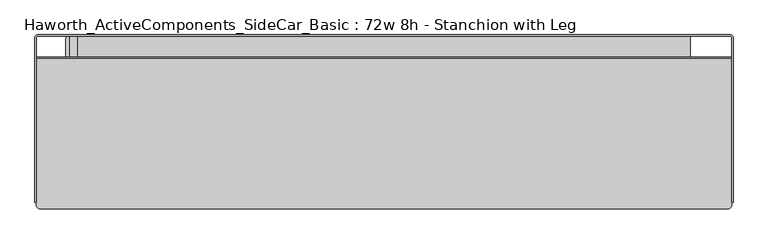
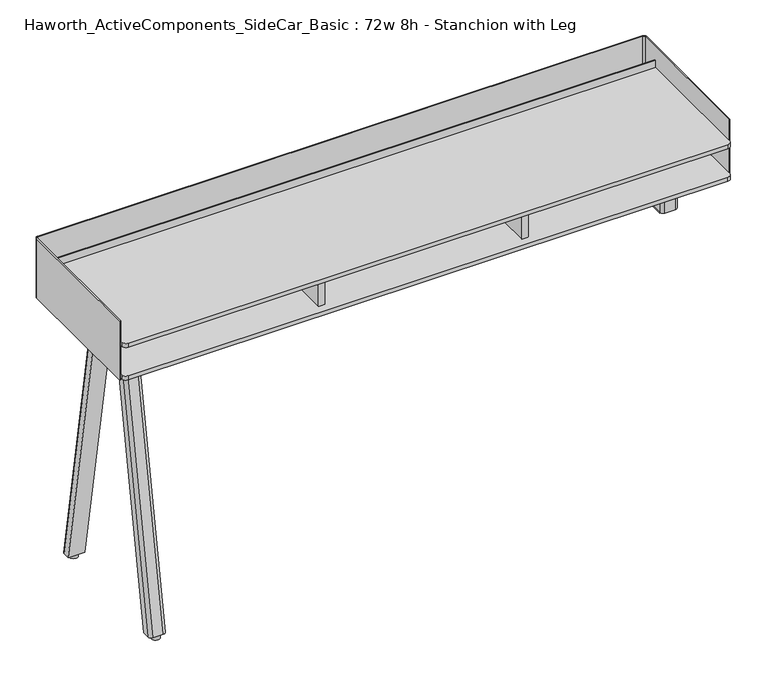
"""IFC4 building model written with IfcOpenShell, lengths in millimetres: furniture geometry, Haworth_ActiveComponents_SideCar_Basic : 72w 8h - Stanchion with Leg."""

import ifcopenshell
import ifcopenshell.guid

model = None  # the IFC model being written
_history = None  # IfcOwnerHistory: only IFC2X3 demands one
_inside = {}  # id of a spatial element -> (the spatial element, [elements in it])
_under = {}  # id of a project, library or spatial element -> (it, [spatial elements below it])
_declared = {}  # id of a project -> (the project, [libraries it declares])
_typed = {}  # id of a type object -> (the type object, [elements of that type])
_made_of = {}  # id of a material, layer set ... -> (it, [elements and type objects made of it])


def new_model(schema):
    """Start an empty IFC model of exactly this schema.

    Asked for "IFC4X3", IfcOpenShell would pick the latest addendum, in which some entities
    have other attributes; the version numbers below select the first issue.
    IFC2X3 requires an IfcOwnerHistory on every rooted entity: one is made here for all.
    """
    global model, _history
    if schema == "IFC4X3":
        model = ifcopenshell.file(schema_version=(4, 3, 0, 0))
    else:
        model = ifcopenshell.file(schema=schema)
    _inside.clear()
    _under.clear()
    _declared.clear()
    _typed.clear()
    _made_of.clear()
    _history = None
    if model.schema == "IFC2X3":
        org = make("IfcOrganization", Name="unknown")
        user = make(
            "IfcPersonAndOrganization",
            ThePerson=make("IfcPerson", FamilyName="unknown"),
            TheOrganization=org,
        )
        app = make(
            "IfcApplication",
            ApplicationDeveloper=org,
            Version="unknown",
            ApplicationFullName="unknown",
            ApplicationIdentifier="unknown",
        )
        _history = make(
            "IfcOwnerHistory",
            OwningUser=user,
            OwningApplication=app,
            ChangeAction="ADDED",
            CreationDate=0,
        )
    return model


def make(cls, **values):
    """One entity of the class cls with the attributes given. An attribute that is None is left unset."""
    return model.create_entity(
        cls, **{name: value for name, value in values.items() if value is not None}
    )


def rooted(cls, **values):
    """An entity with a GlobalId (a new one), such as an element, a storey or a relation."""
    return make(cls, GlobalId=ifcopenshell.guid.new(), OwnerHistory=_history, **values)


def si_unit(unit_type, name, prefix=None):
    """IfcSIUnit, for example si_unit("LENGTHUNIT", "METRE", prefix="MILLI")."""
    return make("IfcSIUnit", UnitType=unit_type, Prefix=prefix, Name=name)


def assignment(units):
    """IfcUnitAssignment: the units of a project."""
    return None if units is None else make("IfcUnitAssignment", Units=units)


def point(xyz):
    """IfcCartesianPoint."""
    return None if xyz is None else make("IfcCartesianPoint", Coordinates=xyz)


def direction(xyz):
    """IfcDirection."""
    return None if xyz is None else make("IfcDirection", DirectionRatios=xyz)


def frame(location, z_axis=None, x_axis=None):
    """IfcAxis2Placement3D, a coordinate frame: its origin and axes. An axis left out is left unset."""
    return make(
        "IfcAxis2Placement3D",
        Location=point(location),
        Axis=direction(z_axis),
        RefDirection=direction(x_axis),
    )


def frame_2d(location, x_axis=None):
    """IfcAxis2Placement2D, a coordinate frame in the plane: its origin and x axis."""
    return make(
        "IfcAxis2Placement2D", Location=point(location), RefDirection=direction(x_axis)
    )


def origin():
    """The frame at (0, 0, 0) with its axes left unset."""
    return frame((0.0, 0.0, 0.0))


def origin_with_axes():
    """The frame at (0, 0, 0) with the z axis (0, 0, 1) and the x axis (1, 0, 0) written out."""
    return frame((0.0, 0.0, 0.0), z_axis=(0.0, 0.0, 1.0), x_axis=(1.0, 0.0, 0.0))


def place(relative_to, where):
    """IfcLocalPlacement: puts the frame where relative to a parent placement (None: the world)."""
    return make(
        "IfcLocalPlacement", PlacementRelTo=relative_to, RelativePlacement=where
    )


def context(
    kind, dimensions, precision=None, world=None, true_north=None, identifier=None
):
    """IfcGeometricRepresentationContext, for example the 3D "Model" context."""
    return make(
        "IfcGeometricRepresentationContext",
        ContextIdentifier=identifier,
        ContextType=kind,
        CoordinateSpaceDimension=dimensions,
        Precision=precision,
        WorldCoordinateSystem=world,
        TrueNorth=true_north,
    )


def project(units=None, contexts=None):
    """IfcProject with its units and contexts."""
    return rooted(
        "IfcProject",
        Name="project",
        RepresentationContexts=contexts,
        UnitsInContext=assignment(units),
    )


def spatial(cls, under=None, at=None, **own):
    """A site, building, storey or space (cls), placed at a placement, below another one or the project."""
    s = rooted(cls, ObjectPlacement=at, **own)
    if under is not None:
        _under.setdefault(under.id(), (under, []))[1].append(s)
    return s


def polyline(points):
    """IfcPolyline through the points."""
    return make("IfcPolyline", Points=[point(p) for p in points])


def circle_curve(where, radius):
    """IfcCircle in the frame where."""
    return make("IfcCircle", Position=where, Radius=radius)


def trimmed(basis, trim1, trim2, sense, master):
    """IfcTrimmedCurve: the piece of a basis curve between two trims."""
    return make(
        "IfcTrimmedCurve",
        BasisCurve=basis,
        Trim1=trim1,
        Trim2=trim2,
        SenseAgreement=sense,
        MasterRepresentation=master,
    )


def segment(curve, same_sense, transition):
    """IfcCompositeCurveSegment."""
    return make(
        "IfcCompositeCurveSegment",
        Transition=transition,
        SameSense=same_sense,
        ParentCurve=curve,
    )


def composite_curve(segments, self_intersect=None):
    """IfcCompositeCurve: segments joined end to end."""
    return make("IfcCompositeCurve", Segments=segments, SelfIntersect=self_intersect)


def outline(outer, holes=None, kind="AREA"):
    """IfcArbitraryClosedProfileDef: a profile drawn as a closed curve; with holes, ...WithVoids."""
    if holes is None:
        return make("IfcArbitraryClosedProfileDef", ProfileType=kind, OuterCurve=outer)
    return make(
        "IfcArbitraryProfileDefWithVoids",
        ProfileType=kind,
        OuterCurve=outer,
        InnerCurves=holes,
    )


def extrude(swept, where, along, depth):
    """IfcExtrudedAreaSolid: the profile swept, set in the frame where, extruded along a direction by depth."""
    return make(
        "IfcExtrudedAreaSolid",
        SweptArea=swept,
        Position=where,
        ExtrudedDirection=direction(along),
        Depth=depth,
    )


def shape(context_of_items, identifier, shape_type, items):
    """IfcShapeRepresentation: the items that make up one representation, for example the "Body"."""
    return make(
        "IfcShapeRepresentation",
        ContextOfItems=context_of_items,
        RepresentationIdentifier=identifier,
        RepresentationType=shape_type,
        Items=items,
    )


def source(mapping_origin, context_of_items, identifier, shape_type, items):
    """IfcRepresentationMap: a shape defined once, which mapped items show again and again."""
    return make(
        "IfcRepresentationMap",
        MappingOrigin=mapping_origin,
        MappedRepresentation=shape(context_of_items, identifier, shape_type, items),
    )


def transform(
    local_origin,
    x_axis=None,
    y_axis=None,
    z_axis=None,
    scale=None,
    scale2=None,
    scale3=None,
    uniform=True,
):
    """IfcCartesianTransformationOperator3D, or its non-uniform kind. x_axis, y_axis, z_axis: its Axis1, 2, 3."""
    if uniform:
        return make(
            "IfcCartesianTransformationOperator3D",
            Axis1=direction(x_axis),
            Axis2=direction(y_axis),
            LocalOrigin=point(local_origin),
            Scale=scale,
            Axis3=direction(z_axis),
        )
    return make(
        "IfcCartesianTransformationOperator3DnonUniform",
        Axis1=direction(x_axis),
        Axis2=direction(y_axis),
        LocalOrigin=point(local_origin),
        Scale=scale,
        Axis3=direction(z_axis),
        Scale2=scale2,
        Scale3=scale3,
    )


def mapped(mapping_source, mapping_target):
    """IfcMappedItem: shows the shape of a source again, moved by a transform."""
    return make(
        "IfcMappedItem", MappingSource=mapping_source, MappingTarget=mapping_target
    )


def made_of(thing, what):
    """Note that an element or type object is made of a material, layer set ...; save() writes the relation."""
    if what is not None:
        _made_of.setdefault(what.id(), (what, []))[1].append(thing)
    return thing


def element(
    cls,
    number,
    at=None,
    inside=None,
    cuts=None,
    type_object=None,
    material=None,
    context=None,
    identifier="Body",
    shape_type=None,
    held_by="IfcProductDefinitionShape",
    body=None,
    shapes=None,
    **own,
):
    """One element of the class cls, such as IfcWall. Its Tag is "e" and its number.

    at: its placement. inside: the storey or other place that contains it. cuts: it is an
    opening in that element (IfcRelVoidsElement). A single representation is given by context,
    identifier, shape_type and body (its items); several are given by shapes. held_by: the class
    of the entity that holds the representations. save() writes the other relations.
    """
    e = rooted(cls, Tag="e%d" % number, ObjectPlacement=at, **own)
    if body is not None:
        shapes = [shape(context, identifier, shape_type, body)]
    if shapes is not None:
        e.Representation = make(held_by, Representations=shapes)
    if inside is not None:
        _inside.setdefault(inside.id(), (inside, []))[1].append(e)
    if cuts is not None:
        rooted(
            "IfcRelVoidsElement", RelatingBuildingElement=cuts, RelatedOpeningElement=e
        )
    if type_object is not None:
        _typed.setdefault(type_object.id(), (type_object, []))[1].append(e)
    return made_of(e, material)


def aggregate(whole, parts):
    """IfcRelAggregates: a whole, such as a stair, and the parts it consists of."""
    return rooted("IfcRelAggregates", RelatingObject=whole, RelatedObjects=parts)


def save(model, path):
    """Write the relations noted so far, then the file.

    IfcRelAggregates (storeys below a building ...), IfcRelContainedInSpatialStructure (elements
    in a storey), IfcRelDefinesByType, IfcRelAssociatesMaterial and IfcRelDeclares: one each for
    every whole, place, type object, material and project.
    """
    for whole, parts in _under.values():
        aggregate(whole, parts)
    for where, things in _inside.values():
        rooted(
            "IfcRelContainedInSpatialStructure",
            RelatedElements=things,
            RelatingStructure=where,
        )
    for kind, things in _typed.values():
        rooted("IfcRelDefinesByType", RelatedObjects=things, RelatingType=kind)
    for what, things in _made_of.values():
        rooted("IfcRelAssociatesMaterial", RelatedObjects=things, RelatingMaterial=what)
    for by, libraries in _declared.values():
        rooted("IfcRelDeclares", RelatingContext=by, RelatedDefinitions=libraries)
    model.write(path)


def plane_surface(at):
    """IfcPlane: the flat surface through the origin of the frame at, square to its z axis."""
    return make("IfcPlane", Position=at)


def extruded_surface(curve, direction_of_extrusion, depth):
    """IfcSurfaceOfLinearExtrusion: the curve pushed along a direction by depth."""
    return make(
        "IfcSurfaceOfLinearExtrusion",
        SweptCurve=make("IfcArbitraryOpenProfileDef", ProfileType="CURVE", Curve=curve),
        ExtrudedDirection=direction(direction_of_extrusion),
        Depth=depth,
    )


def advanced_brep(points, edges, surfaces, faces):
    """IfcAdvancedBrep: a solid bounded by faces that lie on surfaces and meet in shared edges.

    An edge is (start, end): straight between two places in points (the first is 0);
    or (start, end, curve); or (start, end, curve, False) where it runs against its curve.
    A face is (place in surfaces, loops), or (place, loops, False) where it looks against
    its surface's normal. A loop lists edges by number (the first is 1), with a minus sign
    where the edge is run from its end to its start. The first loop is the outer one.
    """
    corners = [point(p) for p in points]
    vertices = [make("IfcVertexPoint", VertexGeometry=c) for c in corners]
    made = []
    for start, end, *more in edges:
        made.append(
            make(
                "IfcEdgeCurve",
                EdgeStart=vertices[start],
                EdgeEnd=vertices[end],
                EdgeGeometry=more[0] if more else make("IfcPolyline", Points=[corners[start], corners[end]]),
                SameSense=more[1] if len(more) > 1 else True,
            )
        )
    hull = []
    for where, loops, *sense in faces:
        bounds = []
        for j, loop in enumerate(loops):
            ring = [make("IfcOrientedEdge", EdgeElement=made[abs(k) - 1], Orientation=k > 0) for k in loop]
            bounds.append(
                make(
                    "IfcFaceOuterBound" if j == 0 else "IfcFaceBound",
                    Bound=make("IfcEdgeLoop", EdgeList=ring),
                    Orientation=True,
                )
            )
        hull.append(make("IfcAdvancedFace", Bounds=bounds, FaceSurface=surfaces[where], SameSense=sense[0] if sense else True))
    return make("IfcAdvancedBrep", Outer=make("IfcClosedShell", CfsFaces=hull))


def haworth_activecomponents_sidecar_basic_72w_8h_stanchion_with_7b1e9b51(model_context):
    return source(origin(), model_context, "Body", "SolidModel", [
        extrude(outline(composite_curve([segment(polyline([(802.7063448, -138.5569981), (806.45, -138.5569981), (806.45, -382.1430019), (802.7063448, -382.1430019)]), True, "CONTINUOUS"), segment(trimmed(circle_curve(frame_2d((802.7063448, -378.967905)), 3.1750969), [point((802.7063448, -382.1430019))], [point((799.5312479, -378.967905))], False, "CARTESIAN"), True, "CONTINUOUS"), segment(polyline([(799.5312479, -378.967905), (799.5312479, -350.510544)]), True, "CONTINUOUS"), segment(trimmed(circle_curve(frame_2d((796.3606339, -350.510544)), 3.170614), [point((799.5312479, -350.510544))], [point((796.3606339, -347.3399301))], True, "CARTESIAN"), True, "CONTINUOUS"), segment(polyline([(796.3606339, -347.3399301), (762.5842298, -347.3399301), (762.5842298, -382.1430019), (755.65, -382.1430019), (755.65, -138.5569981), (762.5842298, -138.5569981), (762.5842298, -173.3600699), (796.3606339, -173.3600699)]), True, "CONTINUOUS"), segment(trimmed(circle_curve(frame_2d((796.3606339, -170.189456)), 3.170614), [point((796.3606339, -173.3600699))], [point((799.5312479, -170.189456))], True, "CARTESIAN"), True, "CONTINUOUS"), segment(polyline([(799.5312479, -170.189456), (799.5312479, -141.732095)]), True, "CONTINUOUS"), segment(trimmed(circle_curve(frame_2d((802.7063448, -141.732095)), 3.1750969), [point((799.5312479, -141.732095))], [point((802.7063448, -138.5569981))], False, "CARTESIAN"), True, "CONTINUOUS")], self_intersect=False)), frame((0.0, 0.0, 741.3625), z_axis=(0.0, 0.0, 1.0), x_axis=(1.0, 0.0, 0.0)), (0.0, 0.0, 1.0), 2.778125),
        extrude(outline(composite_curve([segment(trimmed(circle_curve(frame_2d((796.925, -138.1125)), 9.525), [point((796.925, -128.5875))], [point((806.45, -138.1125))], False, "CARTESIAN"), True, "CONTINUOUS"), segment(polyline([(806.45, -138.1125), (806.45, -382.5875)]), True, "CONTINUOUS"), segment(trimmed(circle_curve(frame_2d((796.925, -382.5875)), 9.525), [point((806.45, -382.5875))], [point((796.925, -392.1125))], False, "CARTESIAN"), True, "CONTINUOUS"), segment(polyline([(796.925, -392.1125), (765.175, -392.1125)]), True, "CONTINUOUS"), segment(trimmed(circle_curve(frame_2d((765.175, -382.5875)), 9.525), [point((765.175, -392.1125))], [point((755.65, -382.5875))], False, "CARTESIAN"), True, "CONTINUOUS"), segment(polyline([(755.65, -382.5875), (755.65, -138.1125)]), True, "CONTINUOUS"), segment(trimmed(circle_curve(frame_2d((765.175, -138.1125)), 9.525), [point((755.65, -138.1125))], [point((765.175, -128.5875))], False, "CARTESIAN"), True, "CONTINUOUS"), segment(polyline([(765.175, -128.5875), (796.925, -128.5875)]), True, "CONTINUOUS")], self_intersect=False), holes=[composite_curve([segment(polyline([(796.925, -130.175), (765.175, -130.175)]), True, "CONTINUOUS"), segment(trimmed(circle_curve(frame_2d((765.175, -138.1125)), 7.9375), [point((765.175, -130.175))], [point((757.2375, -138.1125))], True, "CARTESIAN"), True, "CONTINUOUS"), segment(polyline([(757.2375, -138.1125), (757.2375, -382.5875)]), True, "CONTINUOUS"), segment(trimmed(circle_curve(frame_2d((765.175, -382.5875)), 7.9375), [point((757.2375, -382.5875))], [point((765.175, -390.525))], True, "CARTESIAN"), True, "CONTINUOUS"), segment(polyline([(765.175, -390.525), (796.925, -390.525)]), True, "CONTINUOUS"), segment(trimmed(circle_curve(frame_2d((796.925, -382.5875)), 7.9375), [point((796.925, -390.525))], [point((804.8625, -382.5875))], True, "CARTESIAN"), True, "CONTINUOUS"), segment(polyline([(804.8625, -382.5875), (804.8625, -138.1125)]), True, "CONTINUOUS"), segment(trimmed(circle_curve(frame_2d((796.925, -138.1125)), 7.9375), [point((804.8625, -138.1125))], [point((796.925, -130.175))], True, "CARTESIAN"), True, "CONTINUOUS")], self_intersect=False)]), frame((0.0, 0.0, 744.140625), z_axis=(0.0, 0.0, 1.0), x_axis=(1.0, 0.0, 0.0)), (0.0, 0.0, 1.0), 106.759375),
        advanced_brep(
        [(-792.1625, -178.990625, 850.9), (-823.9125, -178.990625, 850.9), (-833.4375, -188.515625, 850.9), (-833.4375, -209.153125, 850.9), (-782.6375, -209.153125, 850.9), (-782.6375, -188.515625, 850.9), (-792.1625, -33.3375, 12.7), (-782.6375, -42.8625, 12.7), (-782.6375, -63.5, 12.7), (-833.4375, -63.5, 12.7), (-833.4375, -42.8625, 12.7), (-823.9125, -33.3375, 12.7)],
        [
            (0, 1),
            (1, 2, circle_curve(frame((-823.9125, -188.515625, 850.9), z_axis=(0.0, 0.0, 1.0), x_axis=(1.0, 0.0, 0.0)), 9.525)),
            (2, 3),
            (3, 4),
            (4, 5),
            (5, 0, circle_curve(frame((-792.1625, -188.515625, 850.9), z_axis=(0.0, 0.0, 1.0), x_axis=(1.0, 0.0, 0.0)), 9.525)),
            (6, 7, circle_curve(frame((-792.1625, -42.8625, 12.7), z_axis=(0.0, 0.0, -1.0), x_axis=(1.0, 0.0, 0.0)), 9.525)),
            (7, 8),
            (8, 9),
            (9, 10),
            (10, 11, circle_curve(frame((-823.9125, -42.8625, 12.7), z_axis=(0.0, 0.0, -1.0), x_axis=(1.0, 0.0, 0.0)), 9.525)),
            (11, 6),
            (6, 0),
            (5, 7),
            (4, 8),
            (3, 9),
            (2, 10),
            (1, 11),
        ],
        [
            plane_surface(frame((-808.0375, -192.2197917, 850.9), z_axis=(0.0, 0.0, 1.0), x_axis=(0.0, 1.0, 0.0))),
            plane_surface(frame((-808.0375, -46.5666667, 12.7), z_axis=(0.0, 0.0, -1.0), x_axis=(0.0, 1.0, 0.0))),
            extruded_surface(trimmed(circle_curve(frame((-792.1625, -42.8625, 12.7), z_axis=(0.0, 0.0, 1.0), x_axis=(1.0, 0.0, 0.0)), 9.525), [point((-782.6375, -42.8625, 12.7))], [point((-792.1625, -33.3375, 12.7))], True, "CARTESIAN"), (0.0, -145.653125, 838.1999999999999), 850.7608787563432),
            plane_surface(frame((-782.6375, -53.18125, 12.7), z_axis=(1.0, 0.0, 0.0), x_axis=(0.0, 1.0, 0.0))),
            plane_surface(frame((-808.0375, -63.5, 12.7), z_axis=(0.0, -0.9852357118551242, -0.17120336470211966), x_axis=(1.0, 0.0, 0.0))),
            plane_surface(frame((-833.4375, -53.18125, 12.7), z_axis=(-1.0, 0.0, 0.0), x_axis=(0.0, -1.0, 0.0))),
            extruded_surface(trimmed(circle_curve(frame((-823.9125, -42.8625, 12.7), z_axis=(0.0, 0.0, 1.0), x_axis=(1.0, 0.0, 0.0)), 9.525), [point((-823.9125, -33.3375, 12.7))], [point((-833.4375, -42.8625, 12.7))], True, "CARTESIAN"), (0.0, -145.653125, 838.1999999999999), 850.7608787563432),
            plane_surface(frame((-808.0375, -33.3375, 12.7), z_axis=(0.0, 0.9852357118551242, 0.17120336470211966), x_axis=(-1.0, 0.0, 0.0))),
        ],
        [
            (0, [[1, 2, 3, 4, 5, 6]]),
            (1, [[7, 8, 9, 10, 11, 12]]),
            (2, [[-7, 13, -6, 14]]),
            (3, [[-8, -14, -5, 15]]),
            (4, [[-9, -15, -4, 16]]),
            (5, [[-10, -16, -3, 17]]),
            (6, [[-11, -17, -2, 18]]),
            (7, [[-12, -18, -1, -13]]),
        ],
    ),
        advanced_brep(
        [(-792.1625, -341.709375, 850.9), (-782.6375, -332.184375, 850.9), (-782.6375, -311.546875, 850.9), (-833.4375, -311.546875, 850.9), (-833.4375, -332.184375, 850.9), (-823.9125, -341.709375, 850.9), (-792.1625, -487.3625, 12.7), (-823.9125, -487.3625, 12.7), (-833.4375, -477.8375, 12.7), (-833.4375, -457.2, 12.7), (-782.6375, -457.2, 12.7), (-782.6375, -477.8375, 12.7)],
        [
            (0, 1, circle_curve(frame((-792.1625, -332.184375, 850.9), z_axis=(0.0, 0.0, 1.0), x_axis=(1.0, 0.0, 0.0)), 9.525)),
            (1, 2),
            (2, 3),
            (3, 4),
            (4, 5, circle_curve(frame((-823.9125, -332.184375, 850.9), z_axis=(0.0, 0.0, 1.0), x_axis=(1.0, 0.0, 0.0)), 9.525)),
            (5, 0),
            (6, 7),
            (7, 8, circle_curve(frame((-823.9125, -477.8375, 12.7), z_axis=(0.0, 0.0, -1.0), x_axis=(1.0, 0.0, 0.0)), 9.525)),
            (8, 9),
            (9, 10),
            (10, 11),
            (11, 6, circle_curve(frame((-792.1625, -477.8375, 12.7), z_axis=(0.0, 0.0, -1.0), x_axis=(1.0, 0.0, 0.0)), 9.525)),
            (11, 1),
            (0, 6),
            (10, 2),
            (9, 3),
            (8, 4),
            (7, 5),
        ],
        [
            plane_surface(frame((-808.0375, -328.4802083, 850.9), z_axis=(0.0, 0.0, 1.0), x_axis=(-1.0, 0.0, 0.0))),
            plane_surface(frame((-808.0375, -474.1333333, 12.7), z_axis=(0.0, 0.0, -1.0), x_axis=(-1.0, 0.0, 0.0))),
            extruded_surface(trimmed(circle_curve(frame((-792.1625, -477.8375, 12.7), z_axis=(0.0, 0.0, 1.0), x_axis=(1.0, 0.0, 0.0)), 9.525), [point((-792.1625, -487.3625, 12.7))], [point((-782.6375, -477.8375, 12.7))], True, "CARTESIAN"), (0.0, 145.653125, 838.1999999999999), 850.7608787563432),
            plane_surface(frame((-782.6375, -467.51875, 12.7), z_axis=(1.0, 0.0, 0.0), x_axis=(0.0, 1.0, 0.0))),
            plane_surface(frame((-808.0375, -457.2, 12.7), z_axis=(0.0, 0.9852357118551246, -0.17120336470211656), x_axis=(-1.0, 0.0, 0.0))),
            plane_surface(frame((-833.4375, -467.51875, 12.7), z_axis=(-1.0, 0.0, 0.0), x_axis=(0.0, -1.0, 0.0))),
            extruded_surface(trimmed(circle_curve(frame((-823.9125, -477.8375, 12.7), z_axis=(0.0, 0.0, 1.0), x_axis=(1.0, 0.0, 0.0)), 9.525), [point((-833.4375, -477.8375, 12.7))], [point((-823.9125, -487.3625, 12.7))], True, "CARTESIAN"), (0.0, 145.653125, 838.1999999999999), 850.7608787563432),
            plane_surface(frame((-808.0375, -487.3625, 12.7), z_axis=(0.0, -0.9852357118551246, 0.17120336470211656), x_axis=(1.0, 0.0, 0.0))),
        ],
        [
            (0, [[1, 2, 3, 4, 5, 6]]),
            (1, [[7, 8, 9, 10, 11, 12]]),
            (2, [[-12, 13, -1, 14]]),
            (3, [[-11, 15, -2, -13]]),
            (4, [[-10, 16, -3, -15]]),
            (5, [[-9, 17, -4, -16]]),
            (6, [[-8, 18, -5, -17]]),
            (7, [[-7, -14, -6, -18]]),
        ],
    ),
        extrude(outline(composite_curve([segment(trimmed(circle_curve(frame_2d((-808.0375, -473.471875)), 12.7), [point((-820.7375, -473.471875))], [point((-795.3375, -473.471875))], False, "CARTESIAN"), True, "CONTINUOUS"), segment(trimmed(circle_curve(frame_2d((-808.0375, -473.471875)), 12.7), [point((-795.3375, -473.471875))], [point((-820.7375, -473.471875))], False, "CARTESIAN"), True, "CONTINUOUS")], self_intersect=False)), origin_with_axes(), (0.0, 0.0, 1.0), 12.7),
        extrude(outline(composite_curve([segment(trimmed(circle_curve(frame_2d((-808.0375, -47.228125)), 12.7), [point((-820.7375, -47.228125))], [point((-795.3375, -47.228125))], False, "CARTESIAN"), True, "CONTINUOUS"), segment(trimmed(circle_curve(frame_2d((-808.0375, -47.228125)), 12.7), [point((-795.3375, -47.228125))], [point((-820.7375, -47.228125))], False, "CARTESIAN"), True, "CONTINUOUS")], self_intersect=False)), origin_with_axes(), (0.0, 0.0, 1.0), 12.7),
        extrude(outline(composite_curve([segment(polyline([(865.1875, -457.2000121), (-865.1875, -457.2000121)]), True, "CONTINUOUS"), segment(trimmed(circle_curve(frame_2d((-865.1875, -444.5000121)), 12.7), [point((-865.1875, -457.2000121))], [point((-877.8875, -444.5000121))], False, "CARTESIAN"), True, "CONTINUOUS"), segment(polyline([(-877.8875, -444.5000121), (-877.8875, -166.1160172), (-808.83125, -166.1160172)]), True, "CONTINUOUS"), segment(trimmed(circle_curve(frame_2d((-808.83125, -158.9722672)), 7.14375), [point((-808.83125, -166.1160172))], [point((-801.6875, -158.9722672))], True, "CARTESIAN"), True, "CONTINUOUS"), segment(polyline([(-801.6875, -158.9722672), (-801.6875, -35.1790143), (801.6875, -35.1790143), (801.6875, -158.9722672)]), True, "CONTINUOUS"), segment(trimmed(circle_curve(frame_2d((808.83125, -158.9722672)), 7.14375), [point((801.6875, -158.9722672))], [point((808.83125, -166.1160172))], True, "CARTESIAN"), True, "CONTINUOUS"), segment(polyline([(808.83125, -166.1160172), (877.8875, -166.1160172), (877.8875, -444.5000121)]), True, "CONTINUOUS"), segment(trimmed(circle_curve(frame_2d((865.1875, -444.5000121)), 12.7), [point((877.8875, -444.5000121))], [point((865.1875, -457.2000121))], False, "CARTESIAN"), True, "CONTINUOUS")], self_intersect=False)), frame((0.0, 0.0, 850.9), z_axis=(0.0, 0.0, 1.0), x_axis=(1.0, 0.0, 0.0)), (0.0, 0.0, 1.0), 6.3500242),
        extrude(outline(composite_curve([segment(trimmed(circle_curve(frame_2d((-318.1985042, 838.009532)), 1.5875), [point((-319.7860042, 838.009532))], [point((-318.1985042, 836.422032))], True, "CARTESIAN"), True, "CONTINUOUS"), segment(polyline([(-318.1985042, 836.422032), (-276.9234921, 836.422032)]), True, "CONTINUOUS"), segment(trimmed(circle_curve(frame_2d((-276.9234921, 838.009532)), 1.5875), [point((-276.9234921, 836.422032))], [point((-275.3359921, 838.009532))], True, "CARTESIAN"), True, "CONTINUOUS"), segment(polyline([(-275.3359921, 838.009532), (-275.3359921, 847.725)]), True, "CONTINUOUS"), segment(trimmed(circle_curve(frame_2d((-272.1609921, 847.725)), 3.175), [point((-275.3359921, 847.725))], [point((-272.1609921, 850.9))], False, "CARTESIAN"), True, "CONTINUOUS"), segment(polyline([(-272.1609921, 850.9), (-258.0640085, 850.9), (-258.0640085, 849.3760378), (-272.2244935, 849.3760378)]), True, "CONTINUOUS"), segment(trimmed(circle_curve(frame_2d((-272.2244935, 847.7885378)), 1.5875), [point((-272.2244935, 849.3760378))], [point((-273.8119935, 847.7885378))], True, "CARTESIAN"), True, "CONTINUOUS"), segment(polyline([(-273.8119935, 847.7885378), (-273.8119935, 838.0729971)]), True, "CONTINUOUS"), segment(trimmed(circle_curve(frame_2d((-276.9869935, 838.0729971)), 3.175), [point((-273.8119935, 838.0729971))], [point((-276.9869935, 834.8979971))], False, "CARTESIAN"), True, "CONTINUOUS"), segment(polyline([(-276.9869935, 834.8979971), (-318.1350027, 834.8979971)]), True, "CONTINUOUS"), segment(trimmed(circle_curve(frame_2d((-318.1350027, 838.0729971)), 3.175), [point((-318.1350027, 834.8979971))], [point((-321.3100027, 838.0729971))], False, "CARTESIAN"), True, "CONTINUOUS"), segment(polyline([(-321.3100027, 838.0729971), (-321.3100027, 847.7885378)]), True, "CONTINUOUS"), segment(trimmed(circle_curve(frame_2d((-322.8975027, 847.7885378)), 1.5875), [point((-321.3100027, 847.7885378))], [point((-322.8975027, 849.3760378))], True, "CARTESIAN"), True, "CONTINUOUS"), segment(polyline([(-322.8975027, 849.3760378), (-337.0580059, 849.3760378), (-337.0580059, 850.9), (-322.9610042, 850.9)]), True, "CONTINUOUS"), segment(trimmed(circle_curve(frame_2d((-322.9610042, 847.725)), 3.175), [point((-322.9610042, 850.9))], [point((-319.7860042, 847.725))], False, "CARTESIAN"), True, "CONTINUOUS"), segment(polyline([(-319.7860042, 847.725), (-319.7860042, 838.009532)]), True, "CONTINUOUS")], self_intersect=False)), frame((-625.078125, 0.0, 0.0), z_axis=(1.0, 0.0, 0.0), x_axis=(0.0, 1.0, 0.0)), (0.0, 0.0, 1.0), 1224.75625),
        extrude(outline(composite_curve([segment(trimmed(circle_curve(frame_2d((-906.1648437, -39.9851563)), 8.2351562), [point((-914.4, -39.9851563))], [point((-906.1648437, -31.75))], False, "CARTESIAN"), True, "CONTINUOUS"), segment(polyline([(-906.1648437, -31.75), (906.1648438, -31.75)]), True, "CONTINUOUS"), segment(trimmed(circle_curve(frame_2d((906.1648438, -39.9851563)), 8.2351562), [point((906.1648438, -31.75))], [point((914.4, -39.9851563))], False, "CARTESIAN"), True, "CONTINUOUS"), segment(polyline([(914.4, -39.9851563), (914.4, -471.4748312), (911.225, -471.4748312), (911.225, -39.9851563)]), True, "CONTINUOUS"), segment(trimmed(circle_curve(frame_2d((906.1648438, -39.9851563)), 5.0601563), [point((911.225, -39.9851563))], [point((906.1648438, -34.925))], True, "CARTESIAN"), True, "CONTINUOUS"), segment(polyline([(906.1648438, -34.925), (-906.1648437, -34.925)]), True, "CONTINUOUS"), segment(trimmed(circle_curve(frame_2d((-906.1648437, -39.9851563)), 5.0601563), [point((-906.1648437, -34.925))], [point((-911.225, -39.9851563))], True, "CARTESIAN"), True, "CONTINUOUS"), segment(polyline([(-911.225, -39.9851563), (-911.225, -471.4748312), (-914.4, -471.4748312), (-914.4, -39.9851563)]), True, "CONTINUOUS")], self_intersect=False)), frame((0.0, 0.0, 850.9), z_axis=(0.0, 0.0, 1.0), x_axis=(1.0, 0.0, 0.0)), (0.0, 0.0, 1.0), 187.1979971),
        extrude(outline(polyline([(-295.275, -185.0643922), (-295.275, -464.4644306), (-314.325, -464.4644306), (-314.325, -185.0643922), (-295.275, -185.0643922)])), frame((0.0, 0.0, 869.9499758), z_axis=(0.0, 0.0, 1.0), x_axis=(1.0, 0.0, 0.0)), (0.0, 0.0, 1.0), 90.4875),
        extrude(outline(polyline([(295.275, -185.0643922), (314.325, -185.0643922), (314.325, -464.4644306), (295.275, -464.4644306), (295.275, -185.0643922)])), frame((0.0, 0.0, 869.9499758), z_axis=(0.0, 0.0, 1.0), x_axis=(1.0, 0.0, 0.0)), (0.0, 0.0, 1.0), 90.4875),
        extrude(outline(polyline([(909.4390625, -90.4392547), (909.4390625, -92.3366362), (-909.4390625, -92.3366362), (-909.4390625, -90.4392547), (909.4390625, -90.4392547)])), frame((0.0, 0.0, 960.4374758), z_axis=(0.0, 0.0, 1.0), x_axis=(1.0, 0.0, 0.0)), (0.0, 0.0, 1.0), 36.2661488),
        extrude(outline(composite_curve([segment(polyline([(898.525, -488.95), (-898.525, -488.95)]), True, "CONTINUOUS"), segment(trimmed(circle_curve(frame_2d((-898.525, -476.25)), 12.7), [point((-898.525, -488.95))], [point((-911.225, -476.25))], False, "CARTESIAN"), True, "CONTINUOUS"), segment(polyline([(-911.225, -476.25), (-911.225, -166.1160172), (-808.83125, -166.1160172)]), True, "CONTINUOUS"), segment(trimmed(circle_curve(frame_2d((-808.83125, -158.9722672)), 7.14375), [point((-808.83125, -166.1160172))], [point((-801.6875, -158.9722672))], True, "CARTESIAN"), True, "CONTINUOUS"), segment(polyline([(-801.6875, -158.9722672), (-801.6875, -35.1790143), (801.6875, -35.1790143), (801.6875, -158.9722672)]), True, "CONTINUOUS"), segment(trimmed(circle_curve(frame_2d((808.83125, -158.9722672)), 7.14375), [point((801.6875, -158.9722672))], [point((808.83125, -166.1160172))], True, "CARTESIAN"), True, "CONTINUOUS"), segment(polyline([(808.83125, -166.1160172), (911.225, -166.1160172), (911.225, -476.25)]), True, "CONTINUOUS"), segment(trimmed(circle_curve(frame_2d((898.525, -476.25)), 12.7), [point((911.225, -476.25))], [point((898.525, -488.95))], False, "CARTESIAN"), True, "CONTINUOUS")], self_intersect=False)), frame((0.0, 0.0, 857.2500242), z_axis=(0.0, 0.0, 1.0), x_axis=(1.0, 0.0, 0.0)), (0.0, 0.0, 1.0), 12.6999516),
        extrude(outline(composite_curve([segment(polyline([(-911.225, -92.3366362), (911.225, -92.3366362), (911.225, -476.25)]), True, "CONTINUOUS"), segment(trimmed(circle_curve(frame_2d((898.525, -476.25)), 12.7), [point((911.225, -476.25))], [point((898.525, -488.95))], False, "CARTESIAN"), True, "CONTINUOUS"), segment(polyline([(898.525, -488.95), (-898.525, -488.95)]), True, "CONTINUOUS"), segment(trimmed(circle_curve(frame_2d((-898.525, -476.25)), 12.7), [point((-898.525, -488.95))], [point((-911.225, -476.25))], False, "CARTESIAN"), True, "CONTINUOUS"), segment(polyline([(-911.225, -476.25), (-911.225, -92.3366362)]), True, "CONTINUOUS")], self_intersect=False)), frame((0.0, 0.0, 960.4374758), z_axis=(0.0, 0.0, 1.0), x_axis=(1.0, 0.0, 0.0)), (0.0, 0.0, 1.0), 12.7000242),
    ])


if __name__ == "__main__":
    model = new_model("IFC4")
    model_context = context("Model", 3, world=origin())
    ifc_project = project(units=[si_unit("LENGTHUNIT", "METRE", prefix="MILLI")], contexts=[model_context])
    site = spatial("IfcSite", under=ifc_project)
    building = spatial("IfcBuilding", under=site)
    placement = place(None, origin())
    haworth_activecomponents_sidecar_basic_72w_8h_stanchion_with_shape = haworth_activecomponents_sidecar_basic_72w_8h_stanchion_with_7b1e9b51(model_context)
    element("IfcFurniture", 1, ObjectType="Haworth_ActiveComponents_SideCar_Basic : 72w 8h - Stanchion with Leg", at=placement, inside=building, context=model_context, shape_type="MappedRepresentation", body=[
        mapped(haworth_activecomponents_sidecar_basic_72w_8h_stanchion_with_shape, transform((0.0, 0.0, 0.0), x_axis=(1.0, 0.0, 0.0), y_axis=(0.0, 1.0, 0.0), z_axis=(0.0, 0.0, 1.0))),
    ])
    save(model, "model.ifc")
